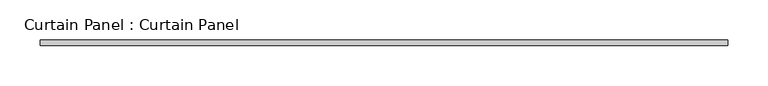
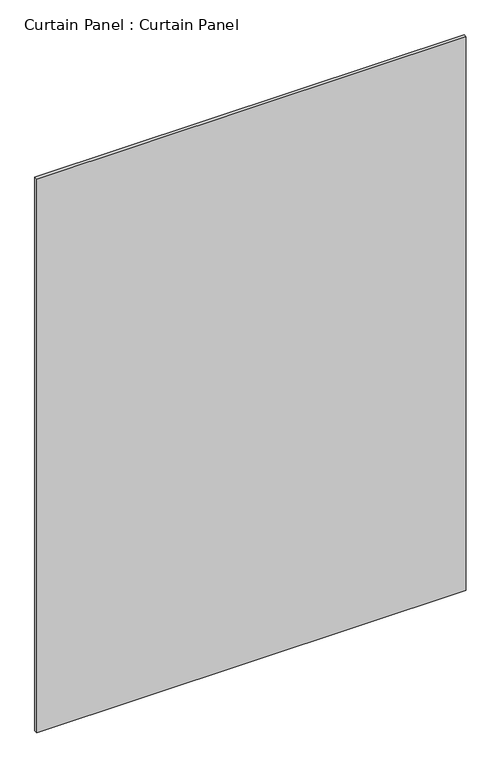
"""IFC4 building model written with IfcOpenShell, lengths in millimetres: plate geometry, Curtain Panel : Curtain Panel."""

from ifc_helpers import new_model, si_unit, frame, origin, place, context, project, spatial, polyline, outline, extrude, source, transform, mapped, element, save


def curtain_panel_curtain_panel_2965f6a4(model_context):
    return source(origin(), model_context, "Body", "SweptSolid", [
        extrude(outline(polyline([(-16891.2864122, 9469.1651052), (-17740.58143, 9469.1651052), (-17740.58143, 9475.5151052), (-16891.2864122, 9475.5151052), (-16891.2864122, 9469.1651052)])), frame((0.0, 0.0, 1231.0413835), z_axis=(0.0, 0.0, 1.0), x_axis=(1.0, 0.0, 0.0)), (0.0, 0.0, 1.0), 1157.9385108),
    ])


if __name__ == "__main__":
    model = new_model("IFC4")
    model_context = context("Model", 3, world=origin())
    ifc_project = project(units=[si_unit("LENGTHUNIT", "METRE", prefix="MILLI")], contexts=[model_context])
    site = spatial("IfcSite", under=ifc_project)
    building = spatial("IfcBuilding", under=site)
    placement = place(None, origin())
    curtain_panel_curtain_panel_shape = curtain_panel_curtain_panel_2965f6a4(model_context)
    element("IfcPlate", 1, ObjectType="Curtain Panel : Curtain Panel", at=placement, inside=building, context=model_context, shape_type="MappedRepresentation", body=[
        mapped(curtain_panel_curtain_panel_shape, transform((0.0, 0.0, 0.0), x_axis=(1.0, 0.0, 0.0), y_axis=(0.0, 1.0, 0.0), z_axis=(0.0, 0.0, 1.0))),
    ])
    save(model, "model.ifc")
